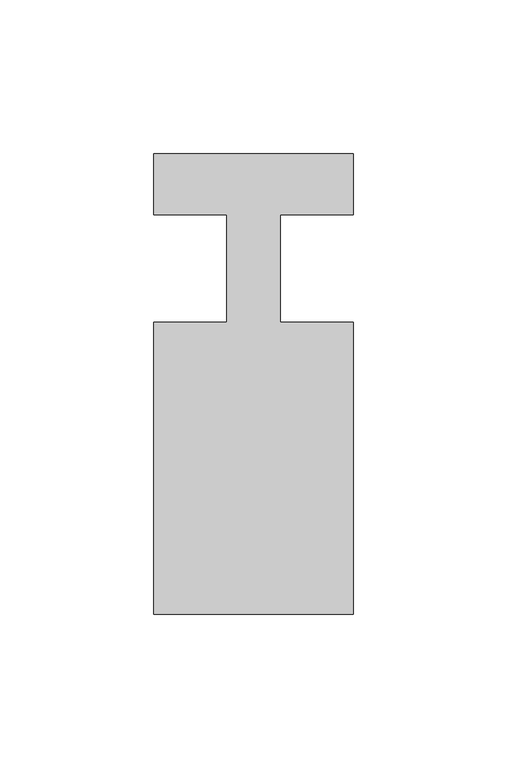
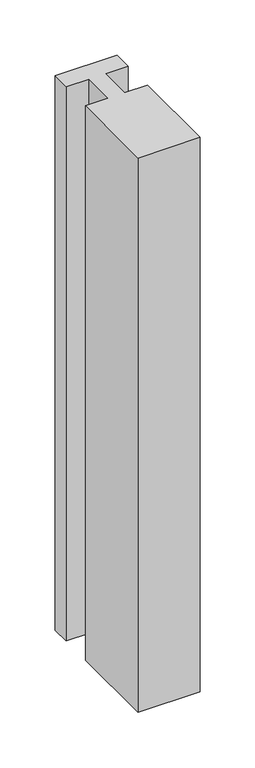
"""IFC4 building model written with IfcOpenShell, lengths in millimetres: member geometry."""

from ifc_helpers import new_model, si_unit, frame, origin, place, context, project, spatial, polyline, outline, extrude, source, transform, mapped, element, save


def member_886828bd(model_context):
    return source(origin(), model_context, "Body", "SweptSolid", [
        extrude(outline(polyline([(0.0, 37.0), (0.0, 17.0), (-23.8125, 17.0), (-23.8125, -18.0), (0.0, -18.0), (0.0, -113.0), (-65.0, -113.0), (-65.0, -18.0), (-41.1875, -18.0), (-41.1875, 17.0), (-65.0, 17.0), (-65.0, 37.0), (0.0, 37.0)])), frame((0.0, 0.0, -613.2848937), z_axis=(0.0, 0.0, 1.0), x_axis=(1.0, 0.0, 0.0)), (0.0, 0.0, 1.0), 613.2848937),
    ])


if __name__ == "__main__":
    model = new_model("IFC4")
    model_context = context("Model", 3, world=origin())
    ifc_project = project(units=[si_unit("LENGTHUNIT", "METRE", prefix="MILLI")], contexts=[model_context])
    site = spatial("IfcSite", under=ifc_project)
    building = spatial("IfcBuilding", under=site)
    placement = place(None, origin())
    member_shape = member_886828bd(model_context)
    element("IfcMember", 1, at=placement, inside=building, context=model_context, shape_type="MappedRepresentation", body=[
        mapped(member_shape, transform((0.0, 0.0, 0.0), x_axis=(1.0, 0.0, 0.0), y_axis=(0.0, 1.0, 0.0), z_axis=(0.0, 0.0, 1.0))),
    ])
    save(model, "model.ifc")
